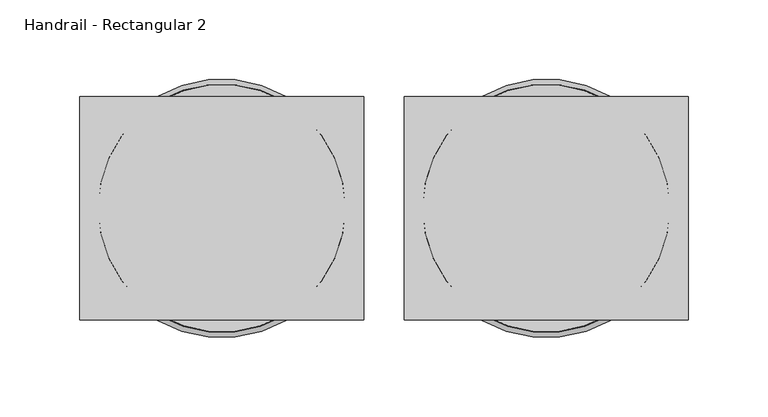
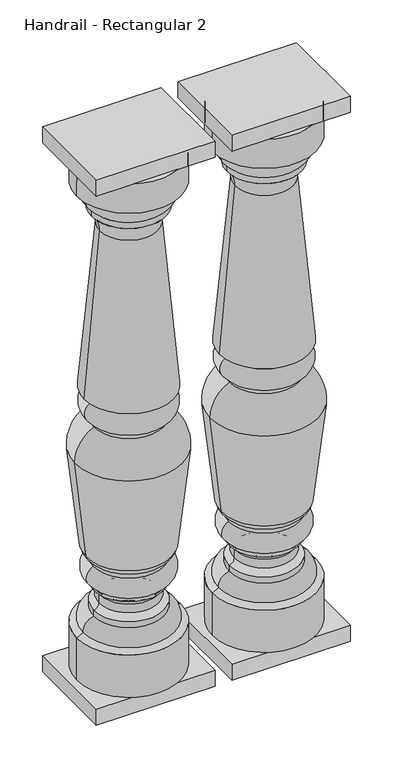
"""IFC4 building model written with IfcOpenShell, lengths in millimetres: railing geometry, Handrail - Rectangular 2."""

from ifc_helpers import new_model, si_unit, point, frame, origin, place, context, project, spatial, polyline, circle_curve, ellipse_curve, trimmed, outline, extrude, source, transform, mapped, element, save
from ifc_brep_helpers import plane_surface, cylinder_surface, revolved_surface, advanced_brep


def handrail_rectangular_2_a0d1f4af(model_context):
    return source(origin(), model_context, "Body", "SolidModel", [
        advanced_brep(
        [(4952.3566037, 2117.5239298, 949.325), (4874.7953648, 2117.5239298, 949.325), (5029.9178426, 2117.5239298, 949.325), (5030.1441037, 2117.5239298, 136.525), (4874.5691037, 2117.5239298, 136.525), (4952.3566037, 2117.5239298, 136.525), (5030.1441037, 2117.5239298, 203.2), (4874.5691037, 2117.5239298, 203.2), (5020.5320698, 2117.5239298, 208.348485), (4884.1811377, 2117.5239298, 208.348485), (5004.7441037, 2117.5239298, 228.7310532), (4899.9691037, 2117.5239298, 228.7310532), (5004.7441037, 2117.5239298, 238.125), (4899.9691037, 2117.5239298, 238.125), (4997.1253868, 2117.5239298, 247.1598162), (4907.5878206, 2117.5239298, 247.1598162), (4997.1253868, 2117.5239298, 260.8401838), (4907.5878206, 2117.5239298, 260.8401838), (5004.7441037, 2117.5239298, 269.875), (4899.9691037, 2117.5239298, 269.875), (5004.7441037, 2117.5239298, 276.225), (4899.9691037, 2117.5239298, 276.225), (5005.5378537, 2117.5239298, 307.975), (4899.1753537, 2117.5239298, 307.975), (5005.5378537, 2117.5239298, 314.325), (4899.1753537, 2117.5239298, 314.325), (5016.3106385, 2117.5239298, 327.0157842), (4888.4025689, 2117.5239298, 327.0157842), (5033.3977192, 2117.5239298, 481.3725887), (4871.3154883, 2117.5239298, 481.3725887), (5004.7441037, 2117.5239298, 528.6375), (4899.9691037, 2117.5239298, 528.6375), (5004.7441037, 2117.5239298, 534.9875), (4899.9691037, 2117.5239298, 534.9875), (5007.9191037, 2117.5239298, 569.9125), (4896.7941037, 2117.5239298, 569.9125), (5007.9191037, 2117.5239298, 573.0875), (4896.7941037, 2117.5239298, 573.0875), (5019.0316037, 2117.5239298, 577.85), (4885.6816037, 2117.5239298, 577.85), (4995.8530916, 2117.5239298, 836.3199218), (4908.8601158, 2117.5239298, 836.3199218), (5007.9191037, 2117.5239298, 863.6), (4896.7941037, 2117.5239298, 863.6), (5007.9191037, 2117.5239298, 873.125), (4896.7941037, 2117.5239298, 873.125), (5019.0316037, 2117.5239298, 900.1125), (4885.6816037, 2117.5239298, 900.1125), (5030.1441037, 2117.5239298, 903.2875), (4874.5691037, 2117.5239298, 903.2875)],
        [
            (0, 1),
            (1, 2, circle_curve(frame((4952.3566037, 2117.5239298, 949.325), z_axis=(0.0, 0.0, 1.0), x_axis=(-1.0, 0.0, 0.0)), 77.5612389)),
            (2, 0),
            (2, 1, circle_curve(frame((4952.3566037, 2117.5239298, 949.325), z_axis=(0.0, 0.0, 1.0), x_axis=(-1.0, 0.0, 0.0)), 77.5612389)),
            (3, 4, circle_curve(frame((4952.3566037, 2117.5239298, 136.525), z_axis=(0.0, 0.0, -1.0), x_axis=(-1.0, 0.0, 0.0)), 77.7875)),
            (4, 5),
            (5, 3),
            (4, 3, circle_curve(frame((4952.3566037, 2117.5239298, 136.525), z_axis=(0.0, 0.0, -1.0), x_axis=(-1.0, 0.0, 0.0)), 77.7875)),
            (6, 7, circle_curve(frame((4952.3566037, 2117.5239298, 203.2), z_axis=(0.0, 0.0, -1.0), x_axis=(-1.0, 0.0, 0.0)), 77.7875)),
            (7, 4),
            (3, 6),
            (7, 6, circle_curve(frame((4952.3566037, 2117.5239298, 203.2), z_axis=(0.0, 0.0, -1.0), x_axis=(-1.0, 0.0, 0.0)), 77.7875)),
            (8, 9, circle_curve(frame((4952.3566037, 2117.5239298, 208.348485), z_axis=(0.0, 0.0, -1.0), x_axis=(-1.0, 0.0, 0.0)), 68.175466)),
            (9, 7),
            (6, 8),
            (9, 8, circle_curve(frame((4952.3566037, 2117.5239298, 208.348485), z_axis=(0.0, 0.0, -1.0), x_axis=(-1.0, 0.0, 0.0)), 68.175466)),
            (10, 11, circle_curve(frame((4952.3566037, 2117.5239298, 228.7310532), z_axis=(0.0, 0.0, -1.0), x_axis=(-1.0, 0.0, 0.0)), 52.3875)),
            (11, 9, circle_curve(frame((4902.3441926, 2117.5239298, 210.5855331), z_axis=(0.0, -1.0, 0.0), x_axis=(1.0, 0.0, 0.0)), 18.3002991)),
            (8, 10, circle_curve(frame((5002.3690149, 2117.5239298, 210.5855331), z_axis=(0.0, -1.0, 0.0), x_axis=(-1.0, 0.0, 0.0)), 18.3002991)),
            (11, 10, circle_curve(frame((4952.3566037, 2117.5239298, 228.7310532), z_axis=(0.0, 0.0, -1.0), x_axis=(-1.0, 0.0, 0.0)), 52.3875)),
            (12, 13, circle_curve(frame((4952.3566037, 2117.5239298, 238.125), z_axis=(0.0, 0.0, -1.0), x_axis=(-1.0, 0.0, 0.0)), 52.3875)),
            (13, 11),
            (10, 12),
            (13, 12, circle_curve(frame((4952.3566037, 2117.5239298, 238.125), z_axis=(0.0, 0.0, -1.0), x_axis=(-1.0, 0.0, 0.0)), 52.3875)),
            (14, 15, circle_curve(frame((4952.3566037, 2117.5239298, 247.1598162), z_axis=(0.0, 0.0, -1.0), x_axis=(-1.0, 0.0, 0.0)), 44.7687831)),
            (15, 13, circle_curve(frame((4898.1837685, 2117.5239298, 247.3602005), z_axis=(0.0, 1.0, 0.0), x_axis=(1.0, 0.0, 0.0)), 9.4061868)),
            (12, 14, circle_curve(frame((5006.529439, 2117.5239298, 247.3602005), z_axis=(0.0, 1.0, 0.0), x_axis=(-1.0, 0.0, 0.0)), 9.4061868)),
            (15, 14, circle_curve(frame((4952.3566037, 2117.5239298, 247.1598162), z_axis=(0.0, 0.0, -1.0), x_axis=(-1.0, 0.0, 0.0)), 44.7687831)),
            (16, 17, circle_curve(frame((4952.3566037, 2117.5239298, 260.8401838), z_axis=(0.0, 0.0, -1.0), x_axis=(-1.0, 0.0, 0.0)), 44.7687831)),
            (17, 15),
            (14, 16),
            (17, 16, circle_curve(frame((4952.3566037, 2117.5239298, 260.8401838), z_axis=(0.0, 0.0, -1.0), x_axis=(-1.0, 0.0, 0.0)), 44.7687831)),
            (18, 19, circle_curve(frame((4952.3566037, 2117.5239298, 269.875), z_axis=(0.0, 0.0, -1.0), x_axis=(-1.0, 0.0, 0.0)), 52.3875)),
            (19, 17, circle_curve(frame((4898.1837685, 2117.5239298, 260.6397995), z_axis=(0.0, 1.0, 0.0), x_axis=(1.0, 0.0, 0.0)), 9.4061868)),
            (16, 18, circle_curve(frame((5006.529439, 2117.5239298, 260.6397995), z_axis=(0.0, 1.0, 0.0), x_axis=(-1.0, 0.0, 0.0)), 9.4061868)),
            (19, 18, circle_curve(frame((4952.3566037, 2117.5239298, 269.875), z_axis=(0.0, 0.0, -1.0), x_axis=(-1.0, 0.0, 0.0)), 52.3875)),
            (20, 21, circle_curve(frame((4952.3566037, 2117.5239298, 276.225), z_axis=(0.0, 0.0, -1.0), x_axis=(-1.0, 0.0, 0.0)), 52.3875)),
            (21, 19),
            (18, 20),
            (21, 20, circle_curve(frame((4952.3566037, 2117.5239298, 276.225), z_axis=(0.0, 0.0, -1.0), x_axis=(-1.0, 0.0, 0.0)), 52.3875)),
            (22, 23, circle_curve(frame((4952.3566037, 2117.5239298, 307.975), z_axis=(0.0, 0.0, -1.0), x_axis=(-1.0, 0.0, 0.0)), 53.18125)),
            (23, 21, circle_curve(frame((4905.5481914, 2117.5239298, 292.2493991), z_axis=(0.0, -1.0, 0.0), x_axis=(1.0, 0.0, 0.0)), 16.9678397)),
            (20, 22, circle_curve(frame((4999.1650161, 2117.5239298, 292.2493991), z_axis=(0.0, -1.0, 0.0), x_axis=(-1.0, 0.0, 0.0)), 16.9678397)),
            (23, 22, circle_curve(frame((4952.3566037, 2117.5239298, 307.975), z_axis=(0.0, 0.0, -1.0), x_axis=(-1.0, 0.0, 0.0)), 53.18125)),
            (24, 25, circle_curve(frame((4952.3566037, 2117.5239298, 314.325), z_axis=(0.0, 0.0, -1.0), x_axis=(-1.0, 0.0, 0.0)), 53.18125)),
            (25, 23),
            (22, 24),
            (25, 24, circle_curve(frame((4952.3566037, 2117.5239298, 314.325), z_axis=(0.0, 0.0, -1.0), x_axis=(-1.0, 0.0, 0.0)), 53.18125)),
            (26, 27, circle_curve(frame((4952.3566037, 2117.5239298, 327.0157842), z_axis=(0.0, 0.0, -1.0), x_axis=(-1.0, 0.0, 0.0)), 63.9540348)),
            (27, 25, circle_curve(frame((4909.0087261, 2117.5239298, 333.5899445), z_axis=(0.0, -1.0, 0.0), x_axis=(1.0, 0.0, 0.0)), 21.6294545)),
            (24, 26, circle_curve(frame((4995.7044813, 2117.5239298, 333.5899445), z_axis=(0.0, -1.0, 0.0), x_axis=(-1.0, 0.0, 0.0)), 21.6294545)),
            (27, 26, circle_curve(frame((4952.3566037, 2117.5239298, 327.0157842), z_axis=(0.0, 0.0, -1.0), x_axis=(-1.0, 0.0, 0.0)), 63.9540348)),
            (28, 29, circle_curve(frame((4952.3566037, 2117.5239298, 481.3725887), z_axis=(0.0, 0.0, -1.0), x_axis=(-1.0, 0.0, 0.0)), 81.0411154)),
            (29, 27, circle_curve(frame((6365.642934, 2117.5239298, 568.6683698), z_axis=(0.0, -1.0, 0.0), x_axis=(1.0, 0.0, 0.0)), 1496.8751012)),
            (26, 28, circle_curve(frame((3539.0702734, 2117.5239298, 568.6683698), z_axis=(0.0, -1.0, 0.0), x_axis=(-1.0, 0.0, 0.0)), 1496.8751012)),
            (29, 28, circle_curve(frame((4952.3566037, 2117.5239298, 481.3725887), z_axis=(0.0, 0.0, -1.0), x_axis=(-1.0, 0.0, 0.0)), 81.0411154)),
            (30, 31, circle_curve(frame((4952.3566037, 2117.5239298, 528.6375), z_axis=(0.0, 0.0, -1.0), x_axis=(-1.0, 0.0, 0.0)), 52.3875)),
            (31, 29, circle_curve(frame((4923.0682544, 2117.5239298, 482.3161407), z_axis=(0.0, -1.0, 0.0), x_axis=(1.0, 0.0, 0.0)), 51.7613668)),
            (28, 30, circle_curve(frame((4981.644953, 2117.5239298, 482.3161407), z_axis=(0.0, -1.0, 0.0), x_axis=(-1.0, 0.0, 0.0)), 51.7613668)),
            (31, 30, circle_curve(frame((4952.3566037, 2117.5239298, 528.6375), z_axis=(0.0, 0.0, -1.0), x_axis=(-1.0, 0.0, 0.0)), 52.3875)),
            (32, 33, circle_curve(frame((4952.3566037, 2117.5239298, 534.9875), z_axis=(0.0, 0.0, -1.0), x_axis=(-1.0, 0.0, 0.0)), 52.3875)),
            (33, 31),
            (30, 32),
            (33, 32, circle_curve(frame((4952.3566037, 2117.5239298, 534.9875), z_axis=(0.0, 0.0, -1.0), x_axis=(-1.0, 0.0, 0.0)), 52.3875)),
            (34, 35, circle_curve(frame((4952.3566037, 2117.5239298, 569.9125), z_axis=(0.0, 0.0, -1.0), x_axis=(-1.0, 0.0, 0.0)), 55.5625)),
            (35, 33, circle_curve(frame((4905.0353561, 2117.5239298, 553.0548866), z_axis=(0.0, -1.0, 0.0), x_axis=(1.0, 0.0, 0.0)), 18.7642578)),
            (32, 34, circle_curve(frame((4999.6778513, 2117.5239298, 553.0548866), z_axis=(0.0, -1.0, 0.0), x_axis=(-1.0, 0.0, 0.0)), 18.7642578)),
            (35, 34, circle_curve(frame((4952.3566037, 2117.5239298, 569.9125), z_axis=(0.0, 0.0, -1.0), x_axis=(-1.0, 0.0, 0.0)), 55.5625)),
            (36, 37, circle_curve(frame((4952.3566037, 2117.5239298, 573.0875), z_axis=(0.0, 0.0, -1.0), x_axis=(-1.0, 0.0, 0.0)), 55.5625)),
            (37, 35),
            (34, 36),
            (37, 36, circle_curve(frame((4952.3566037, 2117.5239298, 573.0875), z_axis=(0.0, 0.0, -1.0), x_axis=(-1.0, 0.0, 0.0)), 55.5625)),
            (38, 39, circle_curve(frame((4952.3566037, 2117.5239298, 577.85), z_axis=(0.0, 0.0, -1.0), x_axis=(-1.0, 0.0, 0.0)), 66.675)),
            (39, 37),
            (36, 38),
            (39, 38, circle_curve(frame((4952.3566037, 2117.5239298, 577.85), z_axis=(0.0, 0.0, -1.0), x_axis=(-1.0, 0.0, 0.0)), 66.675)),
            (40, 41, circle_curve(frame((4952.3566037, 2117.5239298, 836.3199218), z_axis=(0.0, 0.0, -1.0), x_axis=(-1.0, 0.0, 0.0)), 43.4964879)),
            (41, 39, circle_curve(frame((3262.0236899, 2117.5239298, 853.7271544), z_axis=(0.0, 1.0, 0.0), x_axis=(1.0, 0.0, 0.0)), 1646.9284215)),
            (38, 40, circle_curve(frame((6642.6895176, 2117.5239298, 853.7271544), z_axis=(0.0, 1.0, 0.0), x_axis=(-1.0, 0.0, 0.0)), 1646.9284215)),
            (41, 40, circle_curve(frame((4952.3566037, 2117.5239298, 836.3199218), z_axis=(0.0, 0.0, -1.0), x_axis=(-1.0, 0.0, 0.0)), 43.4964879)),
            (42, 43, circle_curve(frame((4952.3566037, 2117.5239298, 863.6), z_axis=(0.0, 0.0, -1.0), x_axis=(-1.0, 0.0, 0.0)), 55.5625)),
            (43, 41, circle_curve(frame((4876.1559569, 2117.5239298, 838.1632773), z_axis=(0.0, 1.0, 0.0), x_axis=(1.0, 0.0, 0.0)), 32.7560676)),
            (40, 42, circle_curve(frame((5028.5572505, 2117.5239298, 838.1632773), z_axis=(0.0, 1.0, 0.0), x_axis=(-1.0, 0.0, 0.0)), 32.7560676)),
            (43, 42, circle_curve(frame((4952.3566037, 2117.5239298, 863.6), z_axis=(0.0, 0.0, -1.0), x_axis=(-1.0, 0.0, 0.0)), 55.5625)),
            (44, 45, circle_curve(frame((4952.3566037, 2117.5239298, 873.125), z_axis=(0.0, 0.0, -1.0), x_axis=(-1.0, 0.0, 0.0)), 55.5625)),
            (45, 43),
            (42, 44),
            (45, 44, circle_curve(frame((4952.3566037, 2117.5239298, 873.125), z_axis=(0.0, 0.0, -1.0), x_axis=(-1.0, 0.0, 0.0)), 55.5625)),
            (46, 47, circle_curve(frame((4952.3566037, 2117.5239298, 900.1125), z_axis=(0.0, 0.0, -1.0), x_axis=(-1.0, 0.0, 0.0)), 66.675)),
            (47, 45, circle_curve(frame((4915.0418255, 2117.5239298, 896.4203854), z_axis=(0.0, -1.0, 0.0), x_axis=(1.0, 0.0, 0.0)), 29.5914571)),
            (44, 46, circle_curve(frame((4989.6713819, 2117.5239298, 896.4203854), z_axis=(0.0, -1.0, 0.0), x_axis=(-1.0, 0.0, 0.0)), 29.5914571)),
            (47, 46, circle_curve(frame((4952.3566037, 2117.5239298, 900.1125), z_axis=(0.0, 0.0, -1.0), x_axis=(-1.0, 0.0, 0.0)), 66.675)),
            (48, 49, circle_curve(frame((4952.3566037, 2117.5239298, 903.2875), z_axis=(0.0, 0.0, -1.0), x_axis=(-1.0, 0.0, 0.0)), 77.7875)),
            (49, 47),
            (46, 48),
            (49, 48, circle_curve(frame((4952.3566037, 2117.5239298, 903.2875), z_axis=(0.0, 0.0, -1.0), x_axis=(-1.0, 0.0, 0.0)), 77.7875)),
            (1, 49),
            (48, 2),
        ],
        [
            plane_surface(frame((4952.3566037, 2117.5239298, 949.325), z_axis=(0.0, 0.0, 1.0), x_axis=(-1.0, 0.0, 0.0))),
            plane_surface(frame((4952.3566037, 2117.5239298, 136.525), z_axis=(0.0, 0.0, -1.0), x_axis=(-1.0, 0.0, 0.0))),
            cylinder_surface(frame((4952.3566037, 2117.5239298, 1019.175), z_axis=(0.0, 0.0, 1.0), x_axis=(-1.0, 0.0, 0.0)), 77.7875),
            revolved_surface(polyline([(4874.5691037, 2117.5239298, 203.2), (4884.1811377, 2117.5239298, 208.348485)]), (4952.3566037, 2117.5239298, 1019.175), (0.0, 0.0, 1.0)),
            revolved_surface(trimmed(ellipse_curve(frame((4902.3441926, 2117.5239298, 210.5855331), z_axis=(0.0, 1.0, 0.0), x_axis=(1.0, 0.0, 0.0)), 18.3002991, 18.3002991), [point((4884.1811377, 2117.5239298, 208.348485))], [point((4899.9691037, 2117.5239298, 228.7310532))], True, "CARTESIAN"), (4952.3566037, 2117.5239298, 1019.175), (0.0, 0.0, 1.0)),
            cylinder_surface(frame((4952.3566037, 2117.5239298, 1019.175), z_axis=(0.0, 0.0, 1.0), x_axis=(-1.0, 0.0, 0.0)), 52.3875),
            revolved_surface(trimmed(ellipse_curve(frame((4898.1837685, 2117.5239298, 247.3602005), z_axis=(0.0, -1.0, 0.0), x_axis=(1.0, 0.0, 0.0)), 9.4061868, 9.4061868), [point((4899.9691037, 2117.5239298, 238.125))], [point((4907.5878206, 2117.5239298, 247.1598162))], True, "CARTESIAN"), (4952.3566037, 2117.5239298, 1019.175), (0.0, 0.0, 1.0)),
            cylinder_surface(frame((4952.3566037, 2117.5239298, 1019.175), z_axis=(0.0, 0.0, 1.0), x_axis=(-1.0, 0.0, 0.0)), 44.7687831),
            revolved_surface(trimmed(ellipse_curve(frame((4898.1837685, 2117.5239298, 260.6397995), z_axis=(0.0, -1.0, 0.0), x_axis=(1.0, 0.0, 0.0)), 9.4061868, 9.4061868), [point((4907.5878206, 2117.5239298, 260.8401838))], [point((4899.9691037, 2117.5239298, 269.875))], True, "CARTESIAN"), (4952.3566037, 2117.5239298, 1019.175), (0.0, 0.0, 1.0)),
            revolved_surface(trimmed(ellipse_curve(frame((4905.5481914, 2117.5239298, 292.2493991), z_axis=(0.0, 1.0, 0.0), x_axis=(1.0, 0.0, 0.0)), 16.9678397, 16.9678397), [point((4899.9691037, 2117.5239298, 276.225))], [point((4899.1753537, 2117.5239298, 307.975))], True, "CARTESIAN"), (4952.3566037, 2117.5239298, 1019.175), (0.0, 0.0, 1.0)),
            cylinder_surface(frame((4952.3566037, 2117.5239298, 1019.175), z_axis=(0.0, 0.0, 1.0), x_axis=(-1.0, 0.0, 0.0)), 53.18125),
            revolved_surface(trimmed(ellipse_curve(frame((4909.0087261, 2117.5239298, 333.5899445), z_axis=(0.0, 1.0, 0.0), x_axis=(1.0, 0.0, 0.0)), 21.6294545, 21.6294545), [point((4899.1753537, 2117.5239298, 314.325))], [point((4888.4025689, 2117.5239298, 327.0157842))], True, "CARTESIAN"), (4952.3566037, 2117.5239298, 1019.175), (0.0, 0.0, 1.0)),
            revolved_surface(trimmed(ellipse_curve(frame((6365.642934, 2117.5239298, 568.6683698), z_axis=(0.0, 1.0, 0.0), x_axis=(1.0, 0.0, 0.0)), 1496.8751012, 1496.8751012), [point((4888.4025689, 2117.5239298, 327.0157842))], [point((4871.3154883, 2117.5239298, 481.3725887))], True, "CARTESIAN"), (4952.3566037, 2117.5239298, 1019.175), (0.0, 0.0, 1.0)),
            revolved_surface(trimmed(ellipse_curve(frame((4923.0682544, 2117.5239298, 482.3161407), z_axis=(0.0, 1.0, 0.0), x_axis=(1.0, 0.0, 0.0)), 51.7613668, 51.7613668), [point((4871.3154883, 2117.5239298, 481.3725887))], [point((4899.9691037, 2117.5239298, 528.6375))], True, "CARTESIAN"), (4952.3566037, 2117.5239298, 1019.175), (0.0, 0.0, 1.0)),
            revolved_surface(trimmed(ellipse_curve(frame((4905.0353561, 2117.5239298, 553.0548866), z_axis=(0.0, 1.0, 0.0), x_axis=(1.0, 0.0, 0.0)), 18.7642578, 18.7642578), [point((4899.9691037, 2117.5239298, 534.9875))], [point((4896.7941037, 2117.5239298, 569.9125))], True, "CARTESIAN"), (4952.3566037, 2117.5239298, 1019.175), (0.0, 0.0, 1.0)),
            cylinder_surface(frame((4952.3566037, 2117.5239298, 1019.175), z_axis=(0.0, 0.0, 1.0), x_axis=(-1.0, 0.0, 0.0)), 55.5625),
            revolved_surface(polyline([(4896.7941037, 2117.5239298, 573.0875), (4885.6816037, 2117.5239298, 577.85)]), (4952.3566037, 2117.5239298, 1019.175), (0.0, 0.0, 1.0)),
            revolved_surface(trimmed(ellipse_curve(frame((3262.0236899, 2117.5239298, 853.7271544), z_axis=(0.0, -1.0, 0.0), x_axis=(1.0, 0.0, 0.0)), 1646.9284215, 1646.9284215), [point((4885.6816037, 2117.5239298, 577.85))], [point((4908.8601158, 2117.5239298, 836.3199218))], True, "CARTESIAN"), (4952.3566037, 2117.5239298, 1019.175), (0.0, 0.0, 1.0)),
            revolved_surface(trimmed(ellipse_curve(frame((4876.1559569, 2117.5239298, 838.1632773), z_axis=(0.0, -1.0, 0.0), x_axis=(1.0, 0.0, 0.0)), 32.7560676, 32.7560676), [point((4908.8601158, 2117.5239298, 836.3199218))], [point((4896.7941037, 2117.5239298, 863.6))], True, "CARTESIAN"), (4952.3566037, 2117.5239298, 1019.175), (0.0, 0.0, 1.0)),
            revolved_surface(trimmed(ellipse_curve(frame((4915.0418255, 2117.5239298, 896.4203854), z_axis=(0.0, 1.0, 0.0), x_axis=(1.0, 0.0, 0.0)), 29.5914571, 29.5914571), [point((4896.7941037, 2117.5239298, 873.125))], [point((4885.6816037, 2117.5239298, 900.1125))], True, "CARTESIAN"), (4952.3566037, 2117.5239298, 1019.175), (0.0, 0.0, 1.0)),
            revolved_surface(polyline([(4885.6816037, 2117.5239298, 900.1125), (4874.5691037, 2117.5239298, 903.2875)]), (4952.3566037, 2117.5239298, 1019.175), (0.0, 0.0, 1.0)),
            revolved_surface(polyline([(4874.5691037, 2117.5239298, 903.2875), (4874.7953648, 2117.5239298, 949.325)]), (4952.3566037, 2117.5239298, 1019.175), (0.0, 0.0, 1.0)),
        ],
        [
            (0, [[1, 2, 3]]),
            (0, [[-3, 4, -1]]),
            (1, [[5, 6, 7]]),
            (1, [[8, -7, -6]]),
            (2, [[9, 10, -5, 11]]),
            (2, [[12, -11, -8, -10]]),
            (3, [[13, 14, -9, 15]]),
            (3, [[16, -15, -12, -14]]),
            (4, [[17, 18, -13, 19]]),
            (4, [[20, -19, -16, -18]]),
            (5, [[21, 22, -17, 23]]),
            (5, [[24, -23, -20, -22]]),
            (6, [[25, 26, -21, 27]]),
            (6, [[28, -27, -24, -26]]),
            (7, [[29, 30, -25, 31]]),
            (7, [[32, -31, -28, -30]]),
            (8, [[33, 34, -29, 35]]),
            (8, [[36, -35, -32, -34]]),
            (5, [[37, 38, -33, 39]]),
            (5, [[40, -39, -36, -38]]),
            (9, [[41, 42, -37, 43]]),
            (9, [[44, -43, -40, -42]]),
            (10, [[45, 46, -41, 47]]),
            (10, [[48, -47, -44, -46]]),
            (11, [[49, 50, -45, 51]]),
            (11, [[52, -51, -48, -50]]),
            (12, [[53, 54, -49, 55]]),
            (12, [[56, -55, -52, -54]]),
            (13, [[57, 58, -53, 59]]),
            (13, [[60, -59, -56, -58]]),
            (5, [[61, 62, -57, 63]]),
            (5, [[64, -63, -60, -62]]),
            (14, [[65, 66, -61, 67]]),
            (14, [[68, -67, -64, -66]]),
            (15, [[69, 70, -65, 71]]),
            (15, [[72, -71, -68, -70]]),
            (16, [[73, 74, -69, 75]]),
            (16, [[76, -75, -72, -74]]),
            (17, [[77, 78, -73, 79]]),
            (17, [[80, -79, -76, -78]]),
            (18, [[81, 82, -77, 83]]),
            (18, [[84, -83, -80, -82]]),
            (15, [[85, 86, -81, 87]]),
            (15, [[88, -87, -84, -86]]),
            (19, [[89, 90, -85, 91]]),
            (19, [[92, -91, -88, -90]]),
            (20, [[93, 94, -89, 95]]),
            (20, [[96, -95, -92, -94]]),
            (21, [[-2, 97, -93, 98]]),
            (21, [[-4, -98, -96, -97]]),
        ],
    ),
        extrude(outline(polyline([(4863.4566037, 2047.6739298), (4863.4566037, 2187.3739298), (5041.2566037, 2187.3739298), (5041.2566037, 2047.6739298), (4863.4566037, 2047.6739298)])), frame((0.0, 0.0, 111.125), z_axis=(0.0, 0.0, 1.0), x_axis=(1.0, 0.0, 0.0)), (0.0, 0.0, 1.0), 25.4),
        extrude(outline(polyline([(4863.4566037, 2187.3739298), (5041.2566037, 2187.3739298), (5041.2566037, 2047.6739298), (4863.4566037, 2047.6739298), (4863.4566037, 2187.3739298)])), frame((0.0, 0.0, 949.325), z_axis=(0.0, 0.0, 1.0), x_axis=(1.0, 0.0, 0.0)), (0.0, 0.0, 1.0), 25.4),
        advanced_brep(
        [(4749.1566037, 2117.5239298, 949.325), (4671.5953648, 2117.5239298, 949.325), (4826.7178426, 2117.5239298, 949.325), (4826.9441037, 2117.5239298, 136.525), (4671.3691037, 2117.5239298, 136.525), (4749.1566037, 2117.5239298, 136.525), (4826.9441037, 2117.5239298, 203.2), (4671.3691037, 2117.5239298, 203.2), (4817.3320698, 2117.5239298, 208.348485), (4680.9811377, 2117.5239298, 208.348485), (4801.5441037, 2117.5239298, 228.7310532), (4696.7691037, 2117.5239298, 228.7310532), (4801.5441037, 2117.5239298, 238.125), (4696.7691037, 2117.5239298, 238.125), (4793.9253868, 2117.5239298, 247.1598162), (4704.3878206, 2117.5239298, 247.1598162), (4793.9253868, 2117.5239298, 260.8401838), (4704.3878206, 2117.5239298, 260.8401838), (4801.5441037, 2117.5239298, 269.875), (4696.7691037, 2117.5239298, 269.875), (4801.5441037, 2117.5239298, 276.225), (4696.7691037, 2117.5239298, 276.225), (4802.3378537, 2117.5239298, 307.975), (4695.9753537, 2117.5239298, 307.975), (4802.3378537, 2117.5239298, 314.325), (4695.9753537, 2117.5239298, 314.325), (4813.1106385, 2117.5239298, 327.0157842), (4685.2025689, 2117.5239298, 327.0157842), (4830.1977192, 2117.5239298, 481.3725887), (4668.1154883, 2117.5239298, 481.3725887), (4801.5441037, 2117.5239298, 528.6375), (4696.7691037, 2117.5239298, 528.6375), (4801.5441037, 2117.5239298, 534.9875), (4696.7691037, 2117.5239298, 534.9875), (4804.7191037, 2117.5239298, 569.9125), (4693.5941037, 2117.5239298, 569.9125), (4804.7191037, 2117.5239298, 573.0875), (4693.5941037, 2117.5239298, 573.0875), (4815.8316037, 2117.5239298, 577.85), (4682.4816037, 2117.5239298, 577.85), (4792.6530916, 2117.5239298, 836.3199218), (4705.6601158, 2117.5239298, 836.3199218), (4804.7191037, 2117.5239298, 863.6), (4693.5941037, 2117.5239298, 863.6), (4804.7191037, 2117.5239298, 873.125), (4693.5941037, 2117.5239298, 873.125), (4815.8316037, 2117.5239298, 900.1125), (4682.4816037, 2117.5239298, 900.1125), (4826.9441037, 2117.5239298, 903.2875), (4671.3691037, 2117.5239298, 903.2875)],
        [
            (0, 1),
            (1, 2, circle_curve(frame((4749.1566037, 2117.5239298, 949.325), z_axis=(0.0, 0.0, 1.0), x_axis=(-1.0, 0.0, 0.0)), 77.5612389)),
            (2, 0),
            (2, 1, circle_curve(frame((4749.1566037, 2117.5239298, 949.325), z_axis=(0.0, 0.0, 1.0), x_axis=(-1.0, 0.0, 0.0)), 77.5612389)),
            (3, 4, circle_curve(frame((4749.1566037, 2117.5239298, 136.525), z_axis=(0.0, 0.0, -1.0), x_axis=(-1.0, 0.0, 0.0)), 77.7875)),
            (4, 5),
            (5, 3),
            (4, 3, circle_curve(frame((4749.1566037, 2117.5239298, 136.525), z_axis=(0.0, 0.0, -1.0), x_axis=(-1.0, 0.0, 0.0)), 77.7875)),
            (6, 7, circle_curve(frame((4749.1566037, 2117.5239298, 203.2), z_axis=(0.0, 0.0, -1.0), x_axis=(-1.0, 0.0, 0.0)), 77.7875)),
            (7, 4),
            (3, 6),
            (7, 6, circle_curve(frame((4749.1566037, 2117.5239298, 203.2), z_axis=(0.0, 0.0, -1.0), x_axis=(-1.0, 0.0, 0.0)), 77.7875)),
            (8, 9, circle_curve(frame((4749.1566037, 2117.5239298, 208.348485), z_axis=(0.0, 0.0, -1.0), x_axis=(-1.0, 0.0, 0.0)), 68.175466)),
            (9, 7),
            (6, 8),
            (9, 8, circle_curve(frame((4749.1566037, 2117.5239298, 208.348485), z_axis=(0.0, 0.0, -1.0), x_axis=(-1.0, 0.0, 0.0)), 68.175466)),
            (10, 11, circle_curve(frame((4749.1566037, 2117.5239298, 228.7310532), z_axis=(0.0, 0.0, -1.0), x_axis=(-1.0, 0.0, 0.0)), 52.3875)),
            (11, 9, circle_curve(frame((4699.1441926, 2117.5239298, 210.5855331), z_axis=(0.0, -1.0, 0.0), x_axis=(1.0, 0.0, 0.0)), 18.3002991)),
            (8, 10, circle_curve(frame((4799.1690149, 2117.5239298, 210.5855331), z_axis=(0.0, -1.0, 0.0), x_axis=(-1.0, 0.0, 0.0)), 18.3002991)),
            (11, 10, circle_curve(frame((4749.1566037, 2117.5239298, 228.7310532), z_axis=(0.0, 0.0, -1.0), x_axis=(-1.0, 0.0, 0.0)), 52.3875)),
            (12, 13, circle_curve(frame((4749.1566037, 2117.5239298, 238.125), z_axis=(0.0, 0.0, -1.0), x_axis=(-1.0, 0.0, 0.0)), 52.3875)),
            (13, 11),
            (10, 12),
            (13, 12, circle_curve(frame((4749.1566037, 2117.5239298, 238.125), z_axis=(0.0, 0.0, -1.0), x_axis=(-1.0, 0.0, 0.0)), 52.3875)),
            (14, 15, circle_curve(frame((4749.1566037, 2117.5239298, 247.1598162), z_axis=(0.0, 0.0, -1.0), x_axis=(-1.0, 0.0, 0.0)), 44.7687831)),
            (15, 13, circle_curve(frame((4694.9837685, 2117.5239298, 247.3602005), z_axis=(0.0, 1.0, 0.0), x_axis=(1.0, 0.0, 0.0)), 9.4061868)),
            (12, 14, circle_curve(frame((4803.329439, 2117.5239298, 247.3602005), z_axis=(0.0, 1.0, 0.0), x_axis=(-1.0, 0.0, 0.0)), 9.4061868)),
            (15, 14, circle_curve(frame((4749.1566037, 2117.5239298, 247.1598162), z_axis=(0.0, 0.0, -1.0), x_axis=(-1.0, 0.0, 0.0)), 44.7687831)),
            (16, 17, circle_curve(frame((4749.1566037, 2117.5239298, 260.8401838), z_axis=(0.0, 0.0, -1.0), x_axis=(-1.0, 0.0, 0.0)), 44.7687831)),
            (17, 15),
            (14, 16),
            (17, 16, circle_curve(frame((4749.1566037, 2117.5239298, 260.8401838), z_axis=(0.0, 0.0, -1.0), x_axis=(-1.0, 0.0, 0.0)), 44.7687831)),
            (18, 19, circle_curve(frame((4749.1566037, 2117.5239298, 269.875), z_axis=(0.0, 0.0, -1.0), x_axis=(-1.0, 0.0, 0.0)), 52.3875)),
            (19, 17, circle_curve(frame((4694.9837685, 2117.5239298, 260.6397995), z_axis=(0.0, 1.0, 0.0), x_axis=(1.0, 0.0, 0.0)), 9.4061868)),
            (16, 18, circle_curve(frame((4803.329439, 2117.5239298, 260.6397995), z_axis=(0.0, 1.0, 0.0), x_axis=(-1.0, 0.0, 0.0)), 9.4061868)),
            (19, 18, circle_curve(frame((4749.1566037, 2117.5239298, 269.875), z_axis=(0.0, 0.0, -1.0), x_axis=(-1.0, 0.0, 0.0)), 52.3875)),
            (20, 21, circle_curve(frame((4749.1566037, 2117.5239298, 276.225), z_axis=(0.0, 0.0, -1.0), x_axis=(-1.0, 0.0, 0.0)), 52.3875)),
            (21, 19),
            (18, 20),
            (21, 20, circle_curve(frame((4749.1566037, 2117.5239298, 276.225), z_axis=(0.0, 0.0, -1.0), x_axis=(-1.0, 0.0, 0.0)), 52.3875)),
            (22, 23, circle_curve(frame((4749.1566037, 2117.5239298, 307.975), z_axis=(0.0, 0.0, -1.0), x_axis=(-1.0, 0.0, 0.0)), 53.18125)),
            (23, 21, circle_curve(frame((4702.3481914, 2117.5239298, 292.2493991), z_axis=(0.0, -1.0, 0.0), x_axis=(1.0, 0.0, 0.0)), 16.9678397)),
            (20, 22, circle_curve(frame((4795.9650161, 2117.5239298, 292.2493991), z_axis=(0.0, -1.0, 0.0), x_axis=(-1.0, 0.0, 0.0)), 16.9678397)),
            (23, 22, circle_curve(frame((4749.1566037, 2117.5239298, 307.975), z_axis=(0.0, 0.0, -1.0), x_axis=(-1.0, 0.0, 0.0)), 53.18125)),
            (24, 25, circle_curve(frame((4749.1566037, 2117.5239298, 314.325), z_axis=(0.0, 0.0, -1.0), x_axis=(-1.0, 0.0, 0.0)), 53.18125)),
            (25, 23),
            (22, 24),
            (25, 24, circle_curve(frame((4749.1566037, 2117.5239298, 314.325), z_axis=(0.0, 0.0, -1.0), x_axis=(-1.0, 0.0, 0.0)), 53.18125)),
            (26, 27, circle_curve(frame((4749.1566037, 2117.5239298, 327.0157842), z_axis=(0.0, 0.0, -1.0), x_axis=(-1.0, 0.0, 0.0)), 63.9540348)),
            (27, 25, circle_curve(frame((4705.8087261, 2117.5239298, 333.5899445), z_axis=(0.0, -1.0, 0.0), x_axis=(1.0, 0.0, 0.0)), 21.6294545)),
            (24, 26, circle_curve(frame((4792.5044813, 2117.5239298, 333.5899445), z_axis=(0.0, -1.0, 0.0), x_axis=(-1.0, 0.0, 0.0)), 21.6294545)),
            (27, 26, circle_curve(frame((4749.1566037, 2117.5239298, 327.0157842), z_axis=(0.0, 0.0, -1.0), x_axis=(-1.0, 0.0, 0.0)), 63.9540348)),
            (28, 29, circle_curve(frame((4749.1566037, 2117.5239298, 481.3725887), z_axis=(0.0, 0.0, -1.0), x_axis=(-1.0, 0.0, 0.0)), 81.0411154)),
            (29, 27, circle_curve(frame((6162.442934, 2117.5239298, 568.6683698), z_axis=(0.0, -1.0, 0.0), x_axis=(1.0, 0.0, 0.0)), 1496.8751012)),
            (26, 28, circle_curve(frame((3335.8702734, 2117.5239298, 568.6683698), z_axis=(0.0, -1.0, 0.0), x_axis=(-1.0, 0.0, 0.0)), 1496.8751012)),
            (29, 28, circle_curve(frame((4749.1566037, 2117.5239298, 481.3725887), z_axis=(0.0, 0.0, -1.0), x_axis=(-1.0, 0.0, 0.0)), 81.0411154)),
            (30, 31, circle_curve(frame((4749.1566037, 2117.5239298, 528.6375), z_axis=(0.0, 0.0, -1.0), x_axis=(-1.0, 0.0, 0.0)), 52.3875)),
            (31, 29, circle_curve(frame((4719.8682544, 2117.5239298, 482.3161407), z_axis=(0.0, -1.0, 0.0), x_axis=(1.0, 0.0, 0.0)), 51.7613668)),
            (28, 30, circle_curve(frame((4778.444953, 2117.5239298, 482.3161407), z_axis=(0.0, -1.0, 0.0), x_axis=(-1.0, 0.0, 0.0)), 51.7613668)),
            (31, 30, circle_curve(frame((4749.1566037, 2117.5239298, 528.6375), z_axis=(0.0, 0.0, -1.0), x_axis=(-1.0, 0.0, 0.0)), 52.3875)),
            (32, 33, circle_curve(frame((4749.1566037, 2117.5239298, 534.9875), z_axis=(0.0, 0.0, -1.0), x_axis=(-1.0, 0.0, 0.0)), 52.3875)),
            (33, 31),
            (30, 32),
            (33, 32, circle_curve(frame((4749.1566037, 2117.5239298, 534.9875), z_axis=(0.0, 0.0, -1.0), x_axis=(-1.0, 0.0, 0.0)), 52.3875)),
            (34, 35, circle_curve(frame((4749.1566037, 2117.5239298, 569.9125), z_axis=(0.0, 0.0, -1.0), x_axis=(-1.0, 0.0, 0.0)), 55.5625)),
            (35, 33, circle_curve(frame((4701.8353561, 2117.5239298, 553.0548866), z_axis=(0.0, -1.0, 0.0), x_axis=(1.0, 0.0, 0.0)), 18.7642578)),
            (32, 34, circle_curve(frame((4796.4778513, 2117.5239298, 553.0548866), z_axis=(0.0, -1.0, 0.0), x_axis=(-1.0, 0.0, 0.0)), 18.7642578)),
            (35, 34, circle_curve(frame((4749.1566037, 2117.5239298, 569.9125), z_axis=(0.0, 0.0, -1.0), x_axis=(-1.0, 0.0, 0.0)), 55.5625)),
            (36, 37, circle_curve(frame((4749.1566037, 2117.5239298, 573.0875), z_axis=(0.0, 0.0, -1.0), x_axis=(-1.0, 0.0, 0.0)), 55.5625)),
            (37, 35),
            (34, 36),
            (37, 36, circle_curve(frame((4749.1566037, 2117.5239298, 573.0875), z_axis=(0.0, 0.0, -1.0), x_axis=(-1.0, 0.0, 0.0)), 55.5625)),
            (38, 39, circle_curve(frame((4749.1566037, 2117.5239298, 577.85), z_axis=(0.0, 0.0, -1.0), x_axis=(-1.0, 0.0, 0.0)), 66.675)),
            (39, 37),
            (36, 38),
            (39, 38, circle_curve(frame((4749.1566037, 2117.5239298, 577.85), z_axis=(0.0, 0.0, -1.0), x_axis=(-1.0, 0.0, 0.0)), 66.675)),
            (40, 41, circle_curve(frame((4749.1566037, 2117.5239298, 836.3199218), z_axis=(0.0, 0.0, -1.0), x_axis=(-1.0, 0.0, 0.0)), 43.4964879)),
            (41, 39, circle_curve(frame((3058.8236899, 2117.5239298, 853.7271544), z_axis=(0.0, 1.0, 0.0), x_axis=(1.0, 0.0, 0.0)), 1646.9284215)),
            (38, 40, circle_curve(frame((6439.4895176, 2117.5239298, 853.7271544), z_axis=(0.0, 1.0, 0.0), x_axis=(-1.0, 0.0, 0.0)), 1646.9284215)),
            (41, 40, circle_curve(frame((4749.1566037, 2117.5239298, 836.3199218), z_axis=(0.0, 0.0, -1.0), x_axis=(-1.0, 0.0, 0.0)), 43.4964879)),
            (42, 43, circle_curve(frame((4749.1566037, 2117.5239298, 863.6), z_axis=(0.0, 0.0, -1.0), x_axis=(-1.0, 0.0, 0.0)), 55.5625)),
            (43, 41, circle_curve(frame((4672.9559569, 2117.5239298, 838.1632773), z_axis=(0.0, 1.0, 0.0), x_axis=(1.0, 0.0, 0.0)), 32.7560676)),
            (40, 42, circle_curve(frame((4825.3572505, 2117.5239298, 838.1632773), z_axis=(0.0, 1.0, 0.0), x_axis=(-1.0, 0.0, 0.0)), 32.7560676)),
            (43, 42, circle_curve(frame((4749.1566037, 2117.5239298, 863.6), z_axis=(0.0, 0.0, -1.0), x_axis=(-1.0, 0.0, 0.0)), 55.5625)),
            (44, 45, circle_curve(frame((4749.1566037, 2117.5239298, 873.125), z_axis=(0.0, 0.0, -1.0), x_axis=(-1.0, 0.0, 0.0)), 55.5625)),
            (45, 43),
            (42, 44),
            (45, 44, circle_curve(frame((4749.1566037, 2117.5239298, 873.125), z_axis=(0.0, 0.0, -1.0), x_axis=(-1.0, 0.0, 0.0)), 55.5625)),
            (46, 47, circle_curve(frame((4749.1566037, 2117.5239298, 900.1125), z_axis=(0.0, 0.0, -1.0), x_axis=(-1.0, 0.0, 0.0)), 66.675)),
            (47, 45, circle_curve(frame((4711.8418255, 2117.5239298, 896.4203854), z_axis=(0.0, -1.0, 0.0), x_axis=(1.0, 0.0, 0.0)), 29.5914571)),
            (44, 46, circle_curve(frame((4786.4713819, 2117.5239298, 896.4203854), z_axis=(0.0, -1.0, 0.0), x_axis=(-1.0, 0.0, 0.0)), 29.5914571)),
            (47, 46, circle_curve(frame((4749.1566037, 2117.5239298, 900.1125), z_axis=(0.0, 0.0, -1.0), x_axis=(-1.0, 0.0, 0.0)), 66.675)),
            (48, 49, circle_curve(frame((4749.1566037, 2117.5239298, 903.2875), z_axis=(0.0, 0.0, -1.0), x_axis=(-1.0, 0.0, 0.0)), 77.7875)),
            (49, 47),
            (46, 48),
            (49, 48, circle_curve(frame((4749.1566037, 2117.5239298, 903.2875), z_axis=(0.0, 0.0, -1.0), x_axis=(-1.0, 0.0, 0.0)), 77.7875)),
            (1, 49),
            (48, 2),
        ],
        [
            plane_surface(frame((4749.1566037, 2117.5239298, 949.325), z_axis=(0.0, 0.0, 1.0), x_axis=(-1.0, 0.0, 0.0))),
            plane_surface(frame((4749.1566037, 2117.5239298, 136.525), z_axis=(0.0, 0.0, -1.0), x_axis=(-1.0, 0.0, 0.0))),
            cylinder_surface(frame((4749.1566037, 2117.5239298, 1019.175), z_axis=(0.0, 0.0, 1.0), x_axis=(-1.0, 0.0, 0.0)), 77.7875),
            revolved_surface(polyline([(4671.3691037, 2117.5239298, 203.2), (4680.9811377, 2117.5239298, 208.348485)]), (4749.1566037, 2117.5239298, 1019.175), (0.0, 0.0, 1.0)),
            revolved_surface(trimmed(ellipse_curve(frame((4699.1441926, 2117.5239298, 210.5855331), z_axis=(0.0, 1.0, 0.0), x_axis=(1.0, 0.0, 0.0)), 18.3002991, 18.3002991), [point((4680.9811377, 2117.5239298, 208.348485))], [point((4696.7691037, 2117.5239298, 228.7310532))], True, "CARTESIAN"), (4749.1566037, 2117.5239298, 1019.175), (0.0, 0.0, 1.0)),
            cylinder_surface(frame((4749.1566037, 2117.5239298, 1019.175), z_axis=(0.0, 0.0, 1.0), x_axis=(-1.0, 0.0, 0.0)), 52.3875),
            revolved_surface(trimmed(ellipse_curve(frame((4694.9837685, 2117.5239298, 247.3602005), z_axis=(0.0, -1.0, 0.0), x_axis=(1.0, 0.0, 0.0)), 9.4061868, 9.4061868), [point((4696.7691037, 2117.5239298, 238.125))], [point((4704.3878206, 2117.5239298, 247.1598162))], True, "CARTESIAN"), (4749.1566037, 2117.5239298, 1019.175), (0.0, 0.0, 1.0)),
            cylinder_surface(frame((4749.1566037, 2117.5239298, 1019.175), z_axis=(0.0, 0.0, 1.0), x_axis=(-1.0, 0.0, 0.0)), 44.7687831),
            revolved_surface(trimmed(ellipse_curve(frame((4694.9837685, 2117.5239298, 260.6397995), z_axis=(0.0, -1.0, 0.0), x_axis=(1.0, 0.0, 0.0)), 9.4061868, 9.4061868), [point((4704.3878206, 2117.5239298, 260.8401838))], [point((4696.7691037, 2117.5239298, 269.875))], True, "CARTESIAN"), (4749.1566037, 2117.5239298, 1019.175), (0.0, 0.0, 1.0)),
            revolved_surface(trimmed(ellipse_curve(frame((4702.3481914, 2117.5239298, 292.2493991), z_axis=(0.0, 1.0, 0.0), x_axis=(1.0, 0.0, 0.0)), 16.9678397, 16.9678397), [point((4696.7691037, 2117.5239298, 276.225))], [point((4695.9753537, 2117.5239298, 307.975))], True, "CARTESIAN"), (4749.1566037, 2117.5239298, 1019.175), (0.0, 0.0, 1.0)),
            cylinder_surface(frame((4749.1566037, 2117.5239298, 1019.175), z_axis=(0.0, 0.0, 1.0), x_axis=(-1.0, 0.0, 0.0)), 53.18125),
            revolved_surface(trimmed(ellipse_curve(frame((4705.8087261, 2117.5239298, 333.5899445), z_axis=(0.0, 1.0, 0.0), x_axis=(1.0, 0.0, 0.0)), 21.6294545, 21.6294545), [point((4695.9753537, 2117.5239298, 314.325))], [point((4685.2025689, 2117.5239298, 327.0157842))], True, "CARTESIAN"), (4749.1566037, 2117.5239298, 1019.175), (0.0, 0.0, 1.0)),
            revolved_surface(trimmed(ellipse_curve(frame((6162.442934, 2117.5239298, 568.6683698), z_axis=(0.0, 1.0, 0.0), x_axis=(1.0, 0.0, 0.0)), 1496.8751012, 1496.8751012), [point((4685.2025689, 2117.5239298, 327.0157842))], [point((4668.1154883, 2117.5239298, 481.3725887))], True, "CARTESIAN"), (4749.1566037, 2117.5239298, 1019.175), (0.0, 0.0, 1.0)),
            revolved_surface(trimmed(ellipse_curve(frame((4719.8682544, 2117.5239298, 482.3161407), z_axis=(0.0, 1.0, 0.0), x_axis=(1.0, 0.0, 0.0)), 51.7613668, 51.7613668), [point((4668.1154883, 2117.5239298, 481.3725887))], [point((4696.7691037, 2117.5239298, 528.6375))], True, "CARTESIAN"), (4749.1566037, 2117.5239298, 1019.175), (0.0, 0.0, 1.0)),
            revolved_surface(trimmed(ellipse_curve(frame((4701.8353561, 2117.5239298, 553.0548866), z_axis=(0.0, 1.0, 0.0), x_axis=(1.0, 0.0, 0.0)), 18.7642578, 18.7642578), [point((4696.7691037, 2117.5239298, 534.9875))], [point((4693.5941037, 2117.5239298, 569.9125))], True, "CARTESIAN"), (4749.1566037, 2117.5239298, 1019.175), (0.0, 0.0, 1.0)),
            cylinder_surface(frame((4749.1566037, 2117.5239298, 1019.175), z_axis=(0.0, 0.0, 1.0), x_axis=(-1.0, 0.0, 0.0)), 55.5625),
            revolved_surface(polyline([(4693.5941037, 2117.5239298, 573.0875), (4682.4816037, 2117.5239298, 577.85)]), (4749.1566037, 2117.5239298, 1019.175), (0.0, 0.0, 1.0)),
            revolved_surface(trimmed(ellipse_curve(frame((3058.8236899, 2117.5239298, 853.7271544), z_axis=(0.0, -1.0, 0.0), x_axis=(1.0, 0.0, 0.0)), 1646.9284215, 1646.9284215), [point((4682.4816037, 2117.5239298, 577.85))], [point((4705.6601158, 2117.5239298, 836.3199218))], True, "CARTESIAN"), (4749.1566037, 2117.5239298, 1019.175), (0.0, 0.0, 1.0)),
            revolved_surface(trimmed(ellipse_curve(frame((4672.9559569, 2117.5239298, 838.1632773), z_axis=(0.0, -1.0, 0.0), x_axis=(1.0, 0.0, 0.0)), 32.7560676, 32.7560676), [point((4705.6601158, 2117.5239298, 836.3199218))], [point((4693.5941037, 2117.5239298, 863.6))], True, "CARTESIAN"), (4749.1566037, 2117.5239298, 1019.175), (0.0, 0.0, 1.0)),
            revolved_surface(trimmed(ellipse_curve(frame((4711.8418255, 2117.5239298, 896.4203854), z_axis=(0.0, 1.0, 0.0), x_axis=(1.0, 0.0, 0.0)), 29.5914571, 29.5914571), [point((4693.5941037, 2117.5239298, 873.125))], [point((4682.4816037, 2117.5239298, 900.1125))], True, "CARTESIAN"), (4749.1566037, 2117.5239298, 1019.175), (0.0, 0.0, 1.0)),
            revolved_surface(polyline([(4682.4816037, 2117.5239298, 900.1125), (4671.3691037, 2117.5239298, 903.2875)]), (4749.1566037, 2117.5239298, 1019.175), (0.0, 0.0, 1.0)),
            revolved_surface(polyline([(4671.3691037, 2117.5239298, 903.2875), (4671.5953648, 2117.5239298, 949.325)]), (4749.1566037, 2117.5239298, 1019.175), (0.0, 0.0, 1.0)),
        ],
        [
            (0, [[1, 2, 3]]),
            (0, [[-3, 4, -1]]),
            (1, [[5, 6, 7]]),
            (1, [[8, -7, -6]]),
            (2, [[9, 10, -5, 11]]),
            (2, [[12, -11, -8, -10]]),
            (3, [[13, 14, -9, 15]]),
            (3, [[16, -15, -12, -14]]),
            (4, [[17, 18, -13, 19]]),
            (4, [[20, -19, -16, -18]]),
            (5, [[21, 22, -17, 23]]),
            (5, [[24, -23, -20, -22]]),
            (6, [[25, 26, -21, 27]]),
            (6, [[28, -27, -24, -26]]),
            (7, [[29, 30, -25, 31]]),
            (7, [[32, -31, -28, -30]]),
            (8, [[33, 34, -29, 35]]),
            (8, [[36, -35, -32, -34]]),
            (5, [[37, 38, -33, 39]]),
            (5, [[40, -39, -36, -38]]),
            (9, [[41, 42, -37, 43]]),
            (9, [[44, -43, -40, -42]]),
            (10, [[45, 46, -41, 47]]),
            (10, [[48, -47, -44, -46]]),
            (11, [[49, 50, -45, 51]]),
            (11, [[52, -51, -48, -50]]),
            (12, [[53, 54, -49, 55]]),
            (12, [[56, -55, -52, -54]]),
            (13, [[57, 58, -53, 59]]),
            (13, [[60, -59, -56, -58]]),
            (5, [[61, 62, -57, 63]]),
            (5, [[64, -63, -60, -62]]),
            (14, [[65, 66, -61, 67]]),
            (14, [[68, -67, -64, -66]]),
            (15, [[69, 70, -65, 71]]),
            (15, [[72, -71, -68, -70]]),
            (16, [[73, 74, -69, 75]]),
            (16, [[76, -75, -72, -74]]),
            (17, [[77, 78, -73, 79]]),
            (17, [[80, -79, -76, -78]]),
            (18, [[81, 82, -77, 83]]),
            (18, [[84, -83, -80, -82]]),
            (15, [[85, 86, -81, 87]]),
            (15, [[88, -87, -84, -86]]),
            (19, [[89, 90, -85, 91]]),
            (19, [[92, -91, -88, -90]]),
            (20, [[93, 94, -89, 95]]),
            (20, [[96, -95, -92, -94]]),
            (21, [[-2, 97, -93, 98]]),
            (21, [[-4, -98, -96, -97]]),
        ],
    ),
        extrude(outline(polyline([(4660.2566037, 2047.6739298), (4660.2566037, 2187.3739298), (4838.0566037, 2187.3739298), (4838.0566037, 2047.6739298), (4660.2566037, 2047.6739298)])), frame((0.0, 0.0, 111.125), z_axis=(0.0, 0.0, 1.0), x_axis=(1.0, 0.0, 0.0)), (0.0, 0.0, 1.0), 25.4),
        extrude(outline(polyline([(4660.2566037, 2187.3739298), (4838.0566037, 2187.3739298), (4838.0566037, 2047.6739298), (4660.2566037, 2047.6739298), (4660.2566037, 2187.3739298)])), frame((0.0, 0.0, 949.325), z_axis=(0.0, 0.0, 1.0), x_axis=(1.0, 0.0, 0.0)), (0.0, 0.0, 1.0), 25.4),
    ])


if __name__ == "__main__":
    model = new_model("IFC4")
    model_context = context("Model", 3, world=origin())
    ifc_project = project(units=[si_unit("LENGTHUNIT", "METRE", prefix="MILLI")], contexts=[model_context])
    site = spatial("IfcSite", under=ifc_project)
    building = spatial("IfcBuilding", under=site)
    placement = place(None, origin())
    handrail_rectangular_2_shape = handrail_rectangular_2_a0d1f4af(model_context)
    element("IfcRailing", 1, ObjectType="Handrail - Rectangular 2", at=placement, inside=building, context=model_context, shape_type="MappedRepresentation", body=[
        mapped(handrail_rectangular_2_shape, transform((0.0, 0.0, 0.0), x_axis=(1.0, 0.0, 0.0), y_axis=(0.0, 1.0, 0.0), z_axis=(0.0, 0.0, 1.0))),
    ])
    save(model, "model.ifc")
